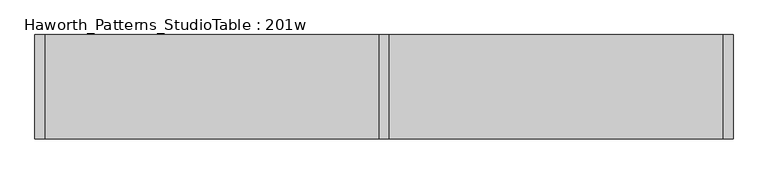
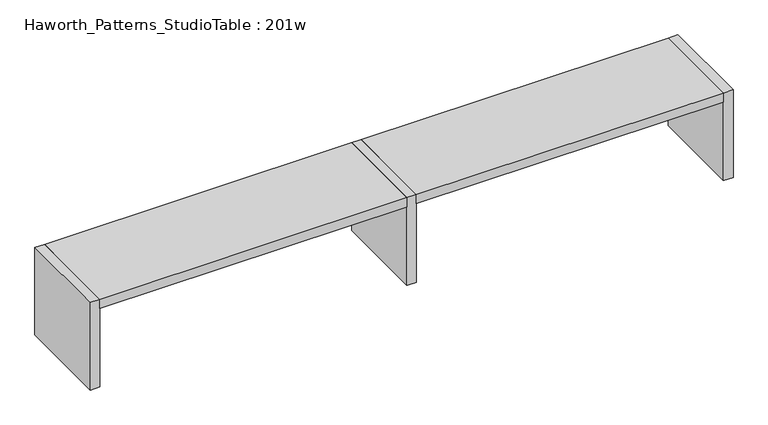
"""IFC4 building model written with IfcOpenShell, lengths in millimetres: furniture geometry, Haworth_Patterns_StudioTable : 201w."""

from ifc_helpers import new_model, si_unit, frame, origin, origin_with_axes, place, context, project, spatial, polyline, outline, extrude, source, transform, mapped, element, save


def haworth_patterns_studiotable_201w_5a46eef5(model_context):
    return source(origin(), model_context, "Body", "SweptSolid", [
        extrude(outline(polyline([(2476.5, 0.0), (2476.5, -762.0), (38.1, -762.0), (38.1, 0.0), (2476.5, 0.0)])), frame((0.0, 0.0, 660.4), z_axis=(0.0, 0.0, 1.0), x_axis=(1.0, 0.0, 0.0)), (0.0, 0.0, 1.0), 76.2),
        extrude(outline(polyline([(-38.1, 0.0), (-38.1, -762.0), (-2476.5, -762.0), (-2476.5, 0.0), (-38.1, 0.0)])), frame((0.0, 0.0, 660.4), z_axis=(0.0, 0.0, 1.0), x_axis=(1.0, 0.0, 0.0)), (0.0, 0.0, 1.0), 76.2),
        extrude(outline(polyline([(-38.1, 0.0), (38.1, 0.0), (38.1, -762.0), (-38.1, -762.0), (-38.1, 0.0)])), origin_with_axes(), (0.0, 0.0, 1.0), 736.6),
        extrude(outline(polyline([(2476.5, 0.0), (2552.7, 0.0), (2552.7, -762.0), (2476.5, -762.0), (2476.5, 0.0)])), origin_with_axes(), (0.0, 0.0, 1.0), 736.6),
        extrude(outline(polyline([(-2476.5, 0.0), (-2476.5, -762.0), (-2552.7, -762.0), (-2552.7, 0.0), (-2476.5, 0.0)])), origin_with_axes(), (0.0, 0.0, 1.0), 736.6),
    ])


if __name__ == "__main__":
    model = new_model("IFC4")
    model_context = context("Model", 3, world=origin())
    ifc_project = project(units=[si_unit("LENGTHUNIT", "METRE", prefix="MILLI")], contexts=[model_context])
    site = spatial("IfcSite", under=ifc_project)
    building = spatial("IfcBuilding", under=site)
    placement = place(None, origin())
    haworth_patterns_studiotable_201w_shape = haworth_patterns_studiotable_201w_5a46eef5(model_context)
    element("IfcFurniture", 1, ObjectType="Haworth_Patterns_StudioTable : 201w", at=placement, inside=building, context=model_context, shape_type="MappedRepresentation", body=[
        mapped(haworth_patterns_studiotable_201w_shape, transform((0.0, 0.0, 0.0), x_axis=(1.0, 0.0, 0.0), y_axis=(0.0, 1.0, 0.0), z_axis=(0.0, 0.0, 1.0))),
    ])
    save(model, "model.ifc")
